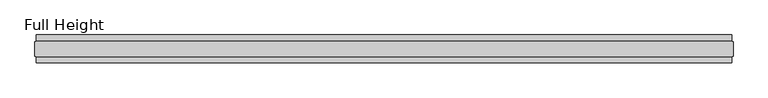
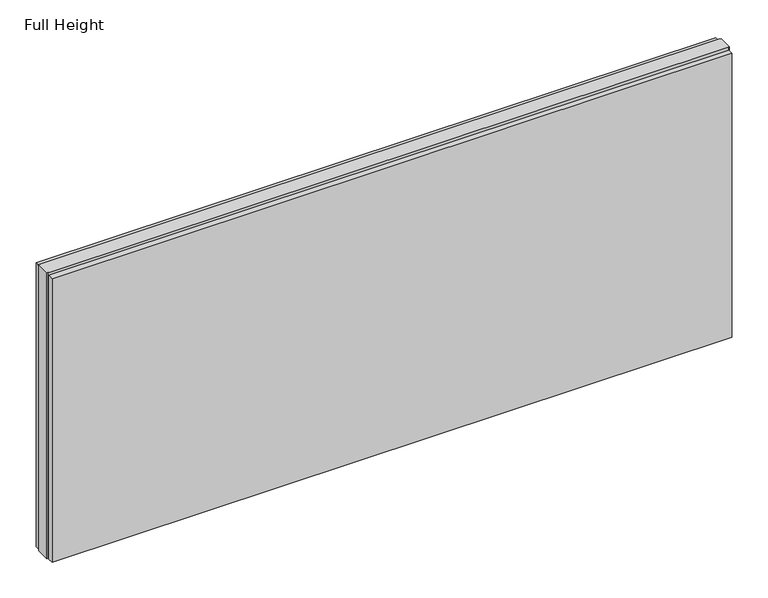
"""IFC4 building model written with IfcOpenShell, lengths in millimetres: plate geometry, Full Height."""

from ifc_helpers import new_model, si_unit, origin, origin_with_axes, place, context, project, spatial, polyline, outline, extrude, source, transform, mapped, element, save


def full_height_1705bb31(model_context):
    return source(origin(), model_context, "Body", "SweptSolid", [
        extrude(outline(polyline([(1227.328, 28.956), (-1227.328, 28.956), (-1227.328, 49.53), (1227.328, 49.53), (1227.328, 28.956)])), origin_with_axes(), (0.0, 0.0, 1.0), 1083.056),
        extrude(outline(polyline([(1227.328, -28.956), (1227.328, -49.53), (-1227.328, -49.53), (-1227.328, -28.956), (1227.328, -28.956)])), origin_with_axes(), (0.0, 0.0, 1.0), 1083.056),
        extrude(outline(polyline([(1227.328, -25.146), (1227.328, -26.67), (-1227.328, -26.67), (-1227.328, -25.146), (-1231.9, -25.146), (-1231.9, 25.146), (-1227.328, 25.146), (-1227.328, 26.67), (1227.328, 26.67), (1227.328, 25.146), (1231.9, 25.146), (1231.9, -25.146), (1227.328, -25.146)])), origin_with_axes(), (0.0, 0.0, 1.0), 1092.2),
    ])


if __name__ == "__main__":
    model = new_model("IFC4")
    model_context = context("Model", 3, world=origin())
    ifc_project = project(units=[si_unit("LENGTHUNIT", "METRE", prefix="MILLI")], contexts=[model_context])
    site = spatial("IfcSite", under=ifc_project)
    building = spatial("IfcBuilding", under=site)
    placement = place(None, origin())
    full_height_shape = full_height_1705bb31(model_context)
    element("IfcPlate", 1, ObjectType="Full Height", at=placement, inside=building, context=model_context, shape_type="MappedRepresentation", body=[
        mapped(full_height_shape, transform((0.0, 0.0, 0.0), x_axis=(1.0, 0.0, 0.0), y_axis=(0.0, 1.0, 0.0), z_axis=(0.0, 0.0, 1.0))),
    ])
    save(model, "model.ifc")
